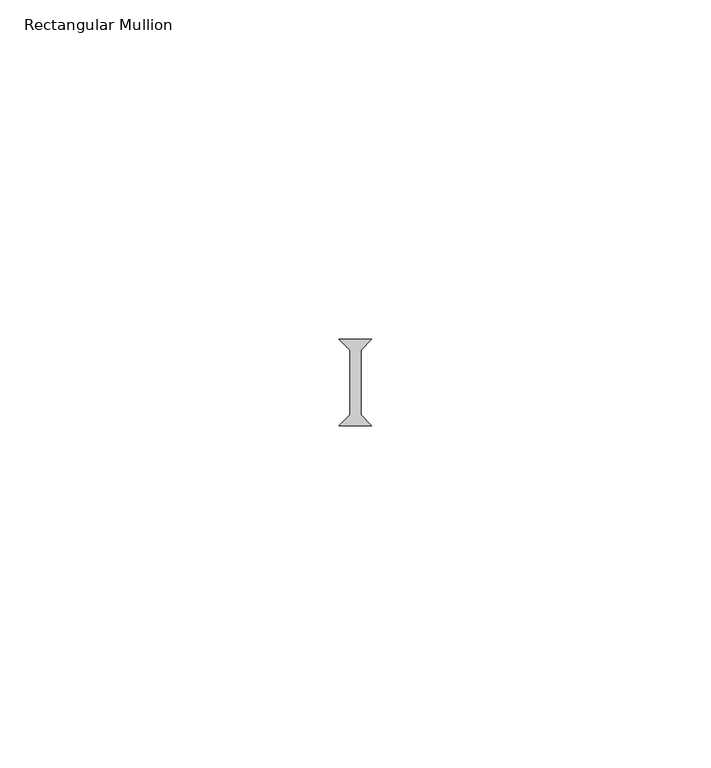
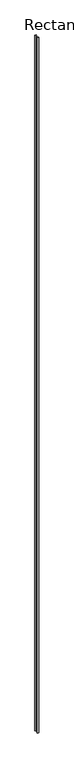
"""IFC4 building model written with IfcOpenShell, lengths in millimetres: member geometry, Rectangular Mullion."""

from ifc_helpers import new_model, si_unit, frame, origin, place, context, project, spatial, polyline, outline, extrude, source, transform, mapped, element, save


def rectangular_mullion_575913e2(model_context):
    return source(origin(), model_context, "Body", "SweptSolid", [
        extrude(outline(polyline([(-2.38125, -23.8125), (2.38125, -23.8125), (0.79375, -25.4), (0.79375, -34.925), (2.38125, -36.5125), (-2.38125, -36.5125), (-0.79375, -34.925), (-0.79375, -25.4), (-2.38125, -23.8125)])), frame((0.0, 0.0, -2359.025), z_axis=(0.0, 0.0, 1.0), x_axis=(1.0, 0.0, 0.0)), (0.0, 0.0, 1.0), 2359.025),
    ])


if __name__ == "__main__":
    model = new_model("IFC4")
    model_context = context("Model", 3, world=origin())
    ifc_project = project(units=[si_unit("LENGTHUNIT", "METRE", prefix="MILLI")], contexts=[model_context])
    site = spatial("IfcSite", under=ifc_project)
    building = spatial("IfcBuilding", under=site)
    placement = place(None, origin())
    rectangular_mullion_shape = rectangular_mullion_575913e2(model_context)
    element("IfcMember", 1, ObjectType="Rectangular Mullion", at=placement, inside=building, context=model_context, shape_type="MappedRepresentation", body=[
        mapped(rectangular_mullion_shape, transform((0.0, 0.0, 0.0), x_axis=(1.0, 0.0, 0.0), y_axis=(0.0, 1.0, 0.0), z_axis=(0.0, 0.0, 1.0))),
    ])
    save(model, "model.ifc")
